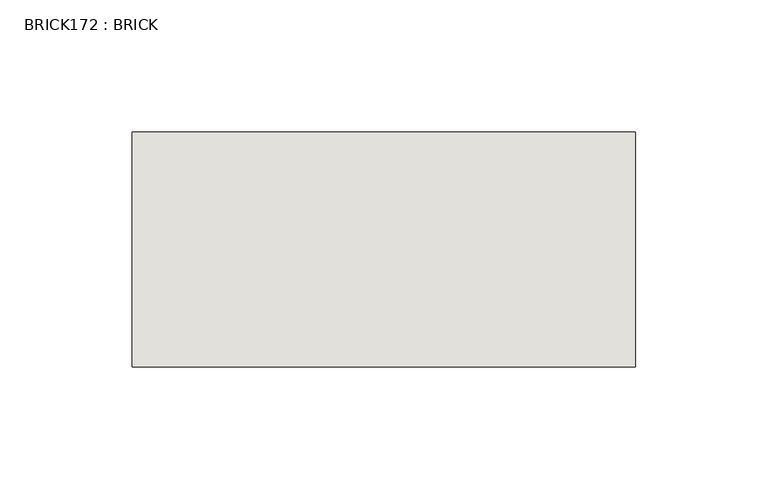
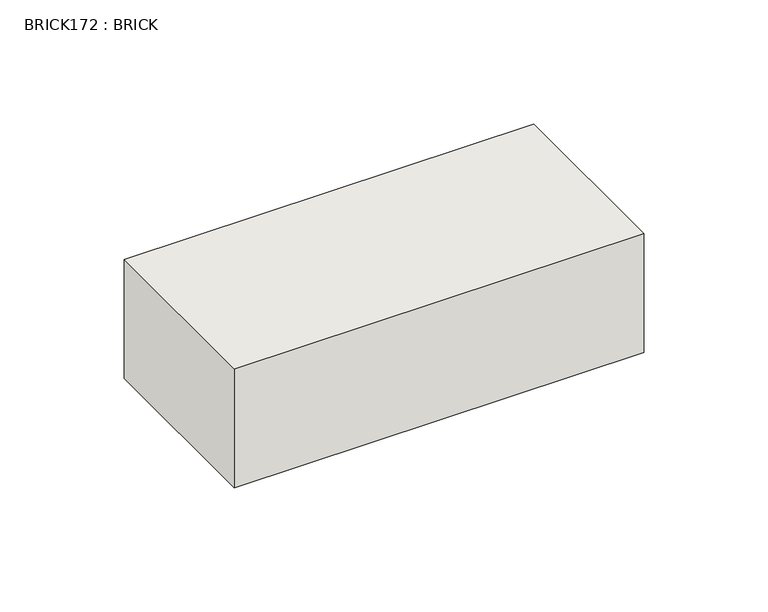
"""IFC4 building model written with IfcOpenShell, lengths in millimetres: wall geometry, BRICK172 : BRICK."""

from ifc_helpers import new_model, si_unit, frame, origin, place, context, project, spatial, polyline, outline, extrude, source, transform, mapped, element, save


def brick172_brick_e40be540(model_context):
    return source(origin(), model_context, "Body", "SweptSolid", [
        extrude(outline(polyline([(44.0683761, 3062.3923312), (234.5683761, 3062.3923312), (234.5683761, 2973.4923312), (44.0683761, 2973.4923312), (44.0683761, 3062.3923312)])), frame((0.0, 0.0, 353.7148438), z_axis=(0.0, 0.0, 1.0), x_axis=(1.0, 0.0, 0.0)), (0.0, 0.0, 1.0), 58.4398437),
    ])


if __name__ == "__main__":
    model = new_model("IFC4")
    model_context = context("Model", 3, world=origin())
    ifc_project = project(units=[si_unit("LENGTHUNIT", "METRE", prefix="MILLI")], contexts=[model_context])
    site = spatial("IfcSite", under=ifc_project)
    building = spatial("IfcBuilding", under=site)
    placement = place(None, origin())
    brick172_brick_shape = brick172_brick_e40be540(model_context)
    element("IfcWall", 1, ObjectType="BRICK172 : BRICK", at=placement, inside=building, context=model_context, shape_type="MappedRepresentation", body=[
        mapped(brick172_brick_shape, transform((0.0, 0.0, 0.0), x_axis=(1.0, 0.0, 0.0), y_axis=(0.0, 1.0, 0.0), z_axis=(0.0, 0.0, 1.0))),
    ])
    save(model, "model.ifc")
